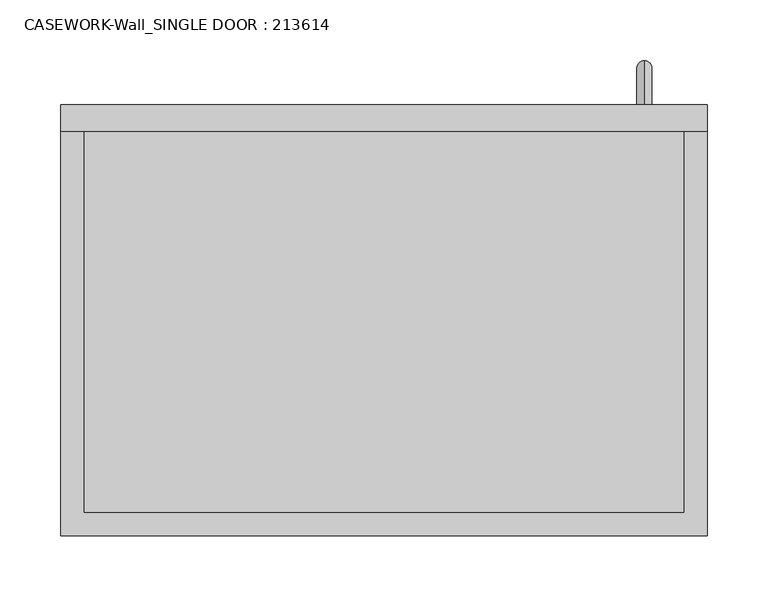
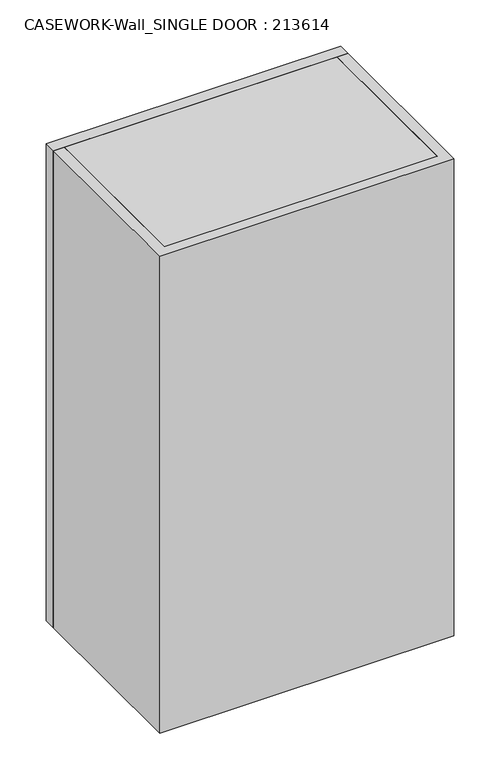
"""IFC4 building model written with IfcOpenShell, lengths in millimetres: furniture geometry, CASEWORK-Wall_SINGLE DOOR : 213614."""

from ifc_helpers import new_model, si_unit, frame, origin, place, context, project, spatial, polyline, circle_curve, ellipse_curve, outline, extrude, source, transform, mapped, element, save
from ifc_brep_helpers import plane_surface, cylinder_surface, advanced_brep


def casework_wall_single_door_213614_0d045eb1(model_context):
    return source(origin(), model_context, "Body", "SolidModel", [
        extrude(outline(polyline([(266.7, 397.1), (-266.7, 397.1), (-266.7, 419.1), (266.7, 419.1), (266.7, 397.1)])), frame((0.0, 0.0, 1219.2), z_axis=(0.0, 0.0, 1.0), x_axis=(1.0, 0.0, 0.0)), (0.0, 0.0, 1.0), 914.4),
        extrude(outline(polyline([(247.5, 397.1), (266.7, 397.1), (266.7, 63.5), (-266.7, 63.5), (-266.7, 397.1), (-247.5, 397.1), (-247.5, 82.7), (247.5, 82.7), (247.5, 397.1)])), frame((0.0, 0.0, 1219.2), z_axis=(0.0, 0.0, 1.0), x_axis=(1.0, 0.0, 0.0)), (0.0, 0.0, 1.0), 914.4),
        extrude(outline(polyline([(-247.5, 397.1), (247.5, 397.1), (247.5, 82.7), (-247.5, 82.7), (-247.5, 397.1)])), frame((0.0, 0.0, 1816.0), z_axis=(0.0, 0.0, 1.0), x_axis=(1.0, 0.0, 0.0)), (0.0, 0.0, 1.0), 19.2),
        extrude(outline(polyline([(-247.5, 397.1), (247.5, 397.1), (247.5, 82.7), (-247.5, 82.7), (-247.5, 397.1)])), frame((0.0, 0.0, 1517.6), z_axis=(0.0, 0.0, 1.0), x_axis=(1.0, 0.0, 0.0)), (0.0, 0.0, 1.0), 19.2),
        advanced_brep(
        [(214.7, 419.1, 1337.55), (214.7, 419.1, 1324.85), (214.7, 442.75, 1337.55), (214.7, 455.45, 1324.85), (214.7, 442.75, 1452.85), (214.7, 455.45, 1465.55), (214.7, 419.1, 1452.85), (214.7, 419.1, 1465.55)],
        [
            (0, 1, circle_curve(frame((214.7, 419.1, 1331.2), z_axis=(0.0, -1.0, 0.0), x_axis=(0.0, 0.0, -1.0)), 6.35)),
            (1, 0, circle_curve(frame((214.7, 419.1, 1331.2), z_axis=(0.0, -1.0, 0.0), x_axis=(0.0, 0.0, -1.0)), 6.35)),
            (0, 2),
            (2, 3, ellipse_curve(frame((214.7, 449.1, 1331.2), z_axis=(0.0, -0.7071067811865475, -0.7071067811865475), x_axis=(0.0, -0.7071067811865476, 0.7071067811865474)), 8.9802561, 6.35)),
            (3, 1),
            (3, 2, ellipse_curve(frame((214.7, 449.1, 1331.2), z_axis=(0.0, -0.7071067811865475, -0.7071067811865475), x_axis=(0.0, -0.7071067811865476, 0.7071067811865474)), 8.9802561, 6.35)),
            (2, 4),
            (4, 5, ellipse_curve(frame((214.7, 449.1, 1459.2), z_axis=(0.0, 0.7071067811865475, -0.7071067811865475), x_axis=(0.0, -0.7071067811865474, -0.7071067811865476)), 8.9802561, 6.35)),
            (5, 3),
            (5, 4, ellipse_curve(frame((214.7, 449.1, 1459.2), z_axis=(0.0, 0.7071067811865475, -0.7071067811865475), x_axis=(0.0, -0.7071067811865474, -0.7071067811865476)), 8.9802561, 6.35)),
            (6, 7, circle_curve(frame((214.7, 419.1, 1459.2), z_axis=(0.0, -1.0, 0.0), x_axis=(0.0, 0.0, 1.0)), 6.35)),
            (7, 6, circle_curve(frame((214.7, 419.1, 1459.2), z_axis=(0.0, -1.0, 0.0), x_axis=(0.0, 0.0, 1.0)), 6.35)),
            (4, 6),
            (7, 5),
        ],
        [
            plane_surface(frame((214.7, 419.1, 1331.2), z_axis=(0.0, -1.0, 0.0), x_axis=(-1.0, 0.0, 0.0))),
            cylinder_surface(frame((214.7, 419.1, 1331.2), z_axis=(0.0, -1.0, 0.0), x_axis=(0.0, 0.0, -1.0)), 6.35),
            cylinder_surface(frame((214.7, 449.1, 1331.2), z_axis=(0.0, 0.0, -1.0), x_axis=(0.0, 1.0, 0.0)), 6.35),
            plane_surface(frame((214.7, 419.1, 1459.2), z_axis=(0.0, -1.0, 0.0), x_axis=(-1.0, 0.0, 0.0))),
            cylinder_surface(frame((214.7, 449.1, 1459.2), z_axis=(0.0, 1.0, 0.0), x_axis=(0.0, 0.0, 1.0)), 6.35),
        ],
        [
            (0, [[1, 2]]),
            (1, [[-1, 3, 4, 5]]),
            (1, [[-2, -5, 6, -3]]),
            (2, [[-4, 7, 8, 9]]),
            (2, [[-6, -9, 10, -7]]),
            (3, [[11, 12]]),
            (4, [[-8, 13, -12, 14]]),
            (4, [[-10, -14, -11, -13]]),
        ],
    ),
        extrude(outline(polyline([(247.5, 397.1), (247.5, 82.7), (-247.5, 82.7), (-247.5, 397.1), (247.5, 397.1)])), frame((0.0, 0.0, 2114.4), z_axis=(0.0, 0.0, 1.0), x_axis=(1.0, 0.0, 0.0)), (0.0, 0.0, 1.0), 19.2),
        extrude(outline(polyline([(247.5, 397.1), (247.5, 82.7), (-247.5, 82.7), (-247.5, 397.1), (247.5, 397.1)])), frame((0.0, 0.0, 1219.2), z_axis=(0.0, 0.0, 1.0), x_axis=(1.0, 0.0, 0.0)), (0.0, 0.0, 1.0), 19.2),
    ])


if __name__ == "__main__":
    model = new_model("IFC4")
    model_context = context("Model", 3, world=origin())
    ifc_project = project(units=[si_unit("LENGTHUNIT", "METRE", prefix="MILLI")], contexts=[model_context])
    site = spatial("IfcSite", under=ifc_project)
    building = spatial("IfcBuilding", under=site)
    placement = place(None, origin())
    casework_wall_single_door_213614_shape = casework_wall_single_door_213614_0d045eb1(model_context)
    element("IfcFurniture", 1, ObjectType="CASEWORK-Wall_SINGLE DOOR : 213614", at=placement, inside=building, context=model_context, shape_type="MappedRepresentation", body=[
        mapped(casework_wall_single_door_213614_shape, transform((0.0, 0.0, 0.0), x_axis=(1.0, 0.0, 0.0), y_axis=(0.0, 1.0, 0.0), z_axis=(0.0, 0.0, 1.0))),
    ])
    save(model, "model.ifc")
